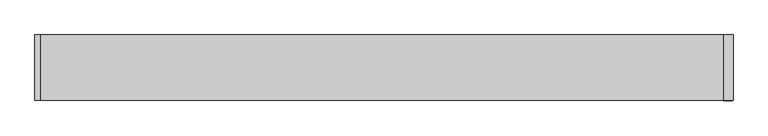
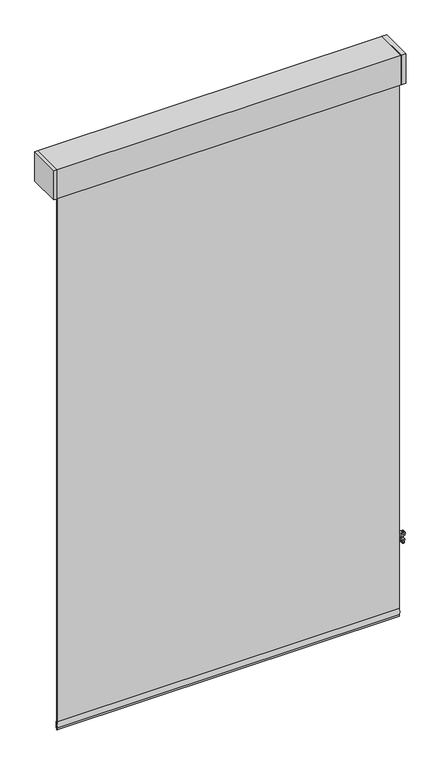
"""IFC4 building model written with IfcOpenShell, lengths in millimetres: proxy geometry."""

from ifc_helpers import new_model, si_unit, point, frame, frame_2d, origin, place, context, project, spatial, polyline, circle_curve, trimmed, segment, composite_curve, outline, extrude, source, transform, mapped, element, save
from ifc_brep_helpers import plane_surface, cylinder_surface, revolved_surface, advanced_brep


def specialty_equipment_680f4162(model_context):
    return source(origin(), model_context, "Body", "SolidModel", [
        advanced_brep(
        [(754.7975373, 114.3, -748.5031492), (759.8345279, 114.3, -754.1318492), (755.147822, 114.3, -796.2412853), (752.1866072, 114.3, -798.8912064), (749.7153928, 114.3, -798.8912064), (746.754178, 114.3, -796.2412853), (742.0674721, 114.3, -754.1318492), (747.1044627, 114.3, -748.5031492), (747.776, 114.3, -755.1453529), (754.126, 114.3, -755.1453529), (747.776, 114.3, -790.8641029), (754.126, 114.3, -790.8641029), (754.7975373, 101.6, -748.5031492), (747.1044627, 101.6, -748.5031492), (742.0674721, 101.6, -754.1318492), (743.2919654, 101.6, -765.1337606), (758.6100346, 101.6, -765.1337606), (759.8345279, 101.6, -754.1318492), (747.776, 101.6, -755.1453529), (754.126, 101.6, -755.1453529), (746.754178, 101.6, -796.2412853), (749.7153928, 101.6, -798.8912064), (752.1866072, 101.6, -798.8912064), (755.147822, 101.6, -796.2412853), (756.9731218, 101.6, -779.8412064), (744.9288782, 101.6, -779.8412064), (747.776, 101.6, -790.8641029), (754.126, 101.6, -790.8641029), (758.6100346, 111.125, -765.1337606), (756.9731218, 111.125, -779.8412064), (744.9288782, 111.125, -779.8412064), (743.2919654, 111.125, -765.1337606)],
        [
            (0, 1, circle_curve(frame((754.7975373, 114.3, -753.5712411), z_axis=(0.0, 1.0, 0.0), x_axis=(-1.0, 0.0, 0.0)), 5.0680919)),
            (1, 2),
            (2, 3, circle_curve(frame((752.1866072, 114.3, -795.9117073), z_axis=(0.0, 1.0, 0.0), x_axis=(-1.0, 0.0, 0.0)), 2.9794991)),
            (3, 4),
            (4, 5, circle_curve(frame((749.7153928, 114.3, -795.9117073), z_axis=(0.0, 1.0, 0.0), x_axis=(1.0, 0.0, 0.0)), 2.9794991)),
            (5, 6),
            (6, 7, circle_curve(frame((747.1044627, 114.3, -753.5712411), z_axis=(0.0, 1.0, 0.0), x_axis=(1.0, 0.0, 0.0)), 5.0680919)),
            (7, 0),
            (8, 9, circle_curve(frame((750.951, 114.3, -755.1453529), z_axis=(0.0, -1.0, 0.0), x_axis=(1.0, 0.0, 0.0)), 3.175)),
            (9, 8, circle_curve(frame((750.951, 114.3, -755.1453529), z_axis=(0.0, -1.0, 0.0), x_axis=(1.0, 0.0, 0.0)), 3.175)),
            (10, 11, circle_curve(frame((750.951, 114.3, -790.8641029), z_axis=(0.0, -1.0, 0.0), x_axis=(1.0, 0.0, 0.0)), 3.175)),
            (11, 10, circle_curve(frame((750.951, 114.3, -790.8641029), z_axis=(0.0, -1.0, 0.0), x_axis=(1.0, 0.0, 0.0)), 3.175)),
            (12, 13),
            (13, 14, circle_curve(frame((747.1044627, 101.6, -753.5712411), z_axis=(0.0, -1.0, 0.0), x_axis=(1.0, 0.0, 0.0)), 5.0680919)),
            (14, 15),
            (15, 16),
            (16, 17),
            (17, 12, circle_curve(frame((754.7975373, 101.6, -753.5712411), z_axis=(0.0, -1.0, 0.0), x_axis=(-1.0, 0.0, 0.0)), 5.0680919)),
            (18, 19, circle_curve(frame((750.951, 101.6, -755.1453529), z_axis=(0.0, 1.0, 0.0), x_axis=(1.0, 0.0, 0.0)), 3.175)),
            (19, 18, circle_curve(frame((750.951, 101.6, -755.1453529), z_axis=(0.0, 1.0, 0.0), x_axis=(1.0, 0.0, 0.0)), 3.175)),
            (20, 21, circle_curve(frame((749.7153928, 101.6, -795.9117073), z_axis=(0.0, -1.0, 0.0), x_axis=(1.0, 0.0, 0.0)), 2.9794991)),
            (21, 22),
            (22, 23, circle_curve(frame((752.1866072, 101.6, -795.9117073), z_axis=(0.0, -1.0, 0.0), x_axis=(-1.0, 0.0, 0.0)), 2.9794991)),
            (23, 24),
            (24, 25),
            (25, 20),
            (26, 27, circle_curve(frame((750.951, 101.6, -790.8641029), z_axis=(0.0, 1.0, 0.0), x_axis=(1.0, 0.0, 0.0)), 3.175)),
            (27, 26, circle_curve(frame((750.951, 101.6, -790.8641029), z_axis=(0.0, 1.0, 0.0), x_axis=(1.0, 0.0, 0.0)), 3.175)),
            (0, 12),
            (17, 1),
            (16, 28),
            (28, 29),
            (29, 24),
            (23, 2),
            (22, 3),
            (21, 4),
            (20, 5),
            (25, 30),
            (30, 31),
            (31, 15),
            (14, 6),
            (13, 7),
            (8, 18),
            (19, 9),
            (10, 26),
            (27, 11),
            (28, 31),
            (30, 29),
        ],
        [
            plane_surface(frame((749.7294454, 114.3, -753.5712411), z_axis=(0.0, 1.0, 0.0), x_axis=(0.0, 0.0, 1.0))),
            plane_surface(frame((749.7294454, 101.6, -753.5712411), z_axis=(0.0, -1.0, 0.0), x_axis=(0.0, 0.0, -1.0))),
            cylinder_surface(frame((754.7975373, 101.6, -753.5712411), z_axis=(0.0, 1.0, 0.0), x_axis=(-1.0, 0.0, 0.0)), 5.0680919),
            plane_surface(frame((759.8345279, 114.3, -754.1318492), z_axis=(0.9938633059315283, 0.0, -0.11061523006735367), x_axis=(0.0, -1.0, 0.0))),
            cylinder_surface(frame((752.1866072, 101.6, -795.9117073), z_axis=(0.0, 1.0, 0.0), x_axis=(-1.0, 0.0, 0.0)), 2.9794991),
            plane_surface(frame((752.1866072, 114.3, -798.8912064), z_axis=(0.0, 0.0, -1.0), x_axis=(0.0, -1.0, 0.0))),
            cylinder_surface(frame((749.7153928, 101.6, -795.9117073), z_axis=(0.0, 1.0, 0.0), x_axis=(1.0, 0.0, 0.0)), 2.9794991),
            plane_surface(frame((746.754178, 114.3, -796.2412853), z_axis=(-0.9938633059315276, 0.0, -0.11061523006736003), x_axis=(0.0, -1.0, 0.0))),
            cylinder_surface(frame((747.1044627, 101.6, -753.5712411), z_axis=(0.0, 1.0, 0.0), x_axis=(1.0, 0.0, 0.0)), 5.0680919),
            plane_surface(frame((747.1044627, 114.3, -748.5031492), z_axis=(0.0, 0.0, 1.0), x_axis=(0.0, -1.0, 0.0))),
            revolved_surface(polyline([(754.126, 101.6, -755.1453529), (754.126, 114.3, -755.1453529)]), (750.951, 101.6, -755.1453529), (0.0, -1.0, 0.0)),
            revolved_surface(polyline([(754.126, 101.6, -790.8641029), (754.126, 114.3, -790.8641029)]), (750.951, 101.6, -790.8641029), (0.0, -1.0, 0.0)),
            plane_surface(frame((732.092928, 111.125, -779.8412064), z_axis=(0.0, -1.0, 0.0), x_axis=(-1.0, 0.0, 0.0))),
            plane_surface(frame((759.6783137, 111.125, -779.8412064), z_axis=(0.0, 0.0, 1.0), x_axis=(0.0, -1.0, 0.0))),
            plane_surface(frame((741.8653132, 111.125, -765.1337606), z_axis=(0.0, 0.0, -1.0), x_axis=(0.0, -1.0, 0.0))),
        ],
        [
            (0, [[1, 2, 3, 4, 5, 6, 7, 8], [9, 10], [11, 12]]),
            (1, [[13, 14, 15, 16, 17, 18], [19, 20]]),
            (1, [[21, 22, 23, 24, 25, 26], [27, 28]]),
            (2, [[-1, 29, -18, 30]]),
            (3, [[-2, -30, -17, 31, 32, 33, -24, 34]]),
            (4, [[-3, -34, -23, 35]]),
            (5, [[-4, -35, -22, 36]]),
            (6, [[-5, -36, -21, 37]]),
            (7, [[-6, -37, -26, 38, 39, 40, -15, 41]]),
            (8, [[-7, -41, -14, 42]]),
            (9, [[-8, -42, -13, -29]]),
            (10, [[-9, 43, -20, 44]]),
            (10, [[-10, -44, -19, -43]]),
            (11, [[-11, 45, -28, 46]]),
            (11, [[-12, -46, -27, -45]]),
            (12, [[47, -39, 48, -32]]),
            (13, [[-48, -38, -25, -33]]),
            (14, [[-47, -31, -16, -40]]),
        ],
    ),
        extrude(outline(composite_curve([segment(trimmed(circle_curve(frame_2d((751.050111, 169.4138288)), 1.5875), [point((749.462611, 169.4138288))], [point((752.637611, 169.4138288))], False, "CARTESIAN"), True, "CONTINUOUS"), segment(trimmed(circle_curve(frame_2d((751.050111, 169.4138288)), 1.5875), [point((752.637611, 169.4138288))], [point((749.462611, 169.4138288))], False, "CARTESIAN"), True, "CONTINUOUS")], self_intersect=False)), frame((0.0, 0.0, -771.4837606), z_axis=(0.0, 0.0, 1.0), x_axis=(1.0, 0.0, 0.0)), (0.0, 0.0, 1.0), 2072.64),
        extrude(outline(composite_curve([segment(trimmed(circle_curve(frame_2d((751.050111, 201.1638288)), 1.5875), [point((749.462611, 201.1638288))], [point((752.637611, 201.1638288))], False, "CARTESIAN"), True, "CONTINUOUS"), segment(trimmed(circle_curve(frame_2d((751.050111, 201.1638288)), 1.5875), [point((752.637611, 201.1638288))], [point((749.462611, 201.1638288))], False, "CARTESIAN"), True, "CONTINUOUS")], self_intersect=False)), frame((0.0, 0.0, -771.4837606), z_axis=(0.0, 0.0, 1.0), x_axis=(1.0, 0.0, 0.0)), (0.0, 0.0, 1.0), 2072.64),
        extrude(outline(polyline([(762.0, 244.5742187), (762.0, 101.6), (741.426, 101.6), (741.426, 244.5742187), (762.0, 244.5742187)])), frame((0.0, 0.0, 1301.1562394), z_axis=(0.0, 0.0, 1.0), x_axis=(1.0, 0.0, 0.0)), (0.0, 0.0, 1.0), 134.6398437),
        extrude(outline(polyline([(-750.316, 244.5742187), (-750.316, 101.6), (-762.0, 101.6), (-762.0, 244.5742187), (-750.316, 244.5742187)])), frame((0.0, 0.0, 1301.1562394), z_axis=(0.0, 0.0, 1.0), x_axis=(1.0, 0.0, 0.0)), (0.0, 0.0, 1.0), 134.6398437),
        extrude(outline(polyline([(-762.0, 244.5742187), (762.0, 244.5742187), (762.0, 101.6), (-762.0, 101.6), (-762.0, 244.5742187)])), frame((0.0, 0.0, 1301.1562394), z_axis=(0.0, 0.0, 1.0), x_axis=(1.0, 0.0, 0.0)), (0.0, 0.0, 1.0), 134.6398437),
        extrude(outline(polyline([(741.426, 114.3), (-741.426, 114.3), (-741.426, 117.475), (741.426, 117.475), (741.426, 114.3)])), frame((0.0, 0.0, -1137.2437606), z_axis=(0.0, 0.0, 1.0), x_axis=(1.0, 0.0, 0.0)), (0.0, 0.0, 1.0), 2438.4),
        extrude(outline(composite_curve([segment(polyline([(115.9109476, -1093.1658784), (117.4825911, -1093.1658784)]), True, "CONTINUOUS"), segment(trimmed(circle_curve(frame_2d((58.6477456, -1114.5765725)), 62.6095589), [point((117.4825911, -1093.1658784))], [point((117.1000216, -1137.0106606))], False, "CARTESIAN"), True, "CONTINUOUS"), segment(trimmed(circle_curve(frame_2d((116.6967693, -1136.8216302)), 0.4453592), [point((117.1000216, -1137.0106606))], [point((116.2935171, -1137.0106606))], False, "CARTESIAN"), True, "CONTINUOUS"), segment(trimmed(circle_curve(frame_2d((174.7457931, -1114.5765725)), 62.6095589), [point((116.2935171, -1137.0106606))], [point((115.9109476, -1093.1658784))], False, "CARTESIAN"), True, "CONTINUOUS")], self_intersect=False)), frame((-741.426, 0.0, 0.0), z_axis=(1.0, 0.0, 0.0), x_axis=(0.0, 1.0, 0.0)), (0.0, 0.0, 1.0), 1482.852),
    ])


if __name__ == "__main__":
    model = new_model("IFC4")
    model_context = context("Model", 3, world=origin())
    ifc_project = project(units=[si_unit("LENGTHUNIT", "METRE", prefix="MILLI")], contexts=[model_context])
    site = spatial("IfcSite", under=ifc_project)
    building = spatial("IfcBuilding", under=site)
    placement = place(None, origin())
    specialty_equipment_shape = specialty_equipment_680f4162(model_context)
    element("IfcBuildingElementProxy", 1, Name="Specialty Equipment", at=placement, inside=building, context=model_context, shape_type="MappedRepresentation", body=[
        mapped(specialty_equipment_shape, transform((0.0, 0.0, 0.0), x_axis=(1.0, 0.0, 0.0), y_axis=(0.0, 1.0, 0.0), z_axis=(0.0, 0.0, 1.0))),
    ])
    save(model, "model.ifc")
